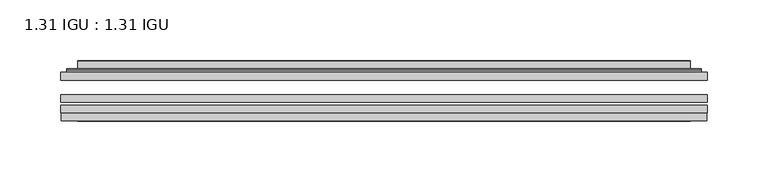
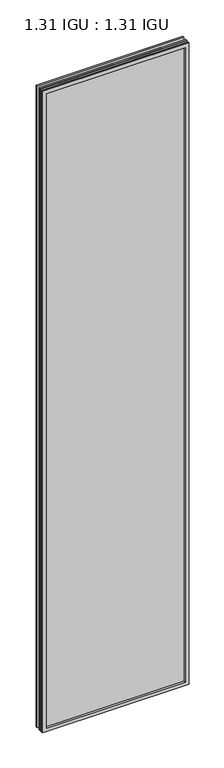
"""IFC4 building model written with IfcOpenShell, lengths in millimetres: plate geometry, 1.31 IGU : 1.31 IGU."""

import ifcopenshell
import ifcopenshell.guid

model = None  # the IFC model being written
_history = None  # IfcOwnerHistory: only IFC2X3 demands one
_inside = {}  # id of a spatial element -> (the spatial element, [elements in it])
_under = {}  # id of a project, library or spatial element -> (it, [spatial elements below it])
_declared = {}  # id of a project -> (the project, [libraries it declares])
_typed = {}  # id of a type object -> (the type object, [elements of that type])
_made_of = {}  # id of a material, layer set ... -> (it, [elements and type objects made of it])


def new_model(schema):
    """Start an empty IFC model of exactly this schema.

    Asked for "IFC4X3", IfcOpenShell would pick the latest addendum, in which some entities
    have other attributes; the version numbers below select the first issue.
    IFC2X3 requires an IfcOwnerHistory on every rooted entity: one is made here for all.
    """
    global model, _history
    if schema == "IFC4X3":
        model = ifcopenshell.file(schema_version=(4, 3, 0, 0))
    else:
        model = ifcopenshell.file(schema=schema)
    _inside.clear()
    _under.clear()
    _declared.clear()
    _typed.clear()
    _made_of.clear()
    _history = None
    if model.schema == "IFC2X3":
        org = make("IfcOrganization", Name="unknown")
        user = make(
            "IfcPersonAndOrganization",
            ThePerson=make("IfcPerson", FamilyName="unknown"),
            TheOrganization=org,
        )
        app = make(
            "IfcApplication",
            ApplicationDeveloper=org,
            Version="unknown",
            ApplicationFullName="unknown",
            ApplicationIdentifier="unknown",
        )
        _history = make(
            "IfcOwnerHistory",
            OwningUser=user,
            OwningApplication=app,
            ChangeAction="ADDED",
            CreationDate=0,
        )
    return model


def make(cls, **values):
    """One entity of the class cls with the attributes given. An attribute that is None is left unset."""
    return model.create_entity(
        cls, **{name: value for name, value in values.items() if value is not None}
    )


def rooted(cls, **values):
    """An entity with a GlobalId (a new one), such as an element, a storey or a relation."""
    return make(cls, GlobalId=ifcopenshell.guid.new(), OwnerHistory=_history, **values)


def si_unit(unit_type, name, prefix=None):
    """IfcSIUnit, for example si_unit("LENGTHUNIT", "METRE", prefix="MILLI")."""
    return make("IfcSIUnit", UnitType=unit_type, Prefix=prefix, Name=name)


def assignment(units):
    """IfcUnitAssignment: the units of a project."""
    return None if units is None else make("IfcUnitAssignment", Units=units)


def point(xyz):
    """IfcCartesianPoint."""
    return None if xyz is None else make("IfcCartesianPoint", Coordinates=xyz)


def direction(xyz):
    """IfcDirection."""
    return None if xyz is None else make("IfcDirection", DirectionRatios=xyz)


def frame(location, z_axis=None, x_axis=None):
    """IfcAxis2Placement3D, a coordinate frame: its origin and axes. An axis left out is left unset."""
    return make(
        "IfcAxis2Placement3D",
        Location=point(location),
        Axis=direction(z_axis),
        RefDirection=direction(x_axis),
    )


def origin():
    """The frame at (0, 0, 0) with its axes left unset."""
    return frame((0.0, 0.0, 0.0))


def place(relative_to, where):
    """IfcLocalPlacement: puts the frame where relative to a parent placement (None: the world)."""
    return make(
        "IfcLocalPlacement", PlacementRelTo=relative_to, RelativePlacement=where
    )


def context(
    kind, dimensions, precision=None, world=None, true_north=None, identifier=None
):
    """IfcGeometricRepresentationContext, for example the 3D "Model" context."""
    return make(
        "IfcGeometricRepresentationContext",
        ContextIdentifier=identifier,
        ContextType=kind,
        CoordinateSpaceDimension=dimensions,
        Precision=precision,
        WorldCoordinateSystem=world,
        TrueNorth=true_north,
    )


def project(units=None, contexts=None):
    """IfcProject with its units and contexts."""
    return rooted(
        "IfcProject",
        Name="project",
        RepresentationContexts=contexts,
        UnitsInContext=assignment(units),
    )


def spatial(cls, under=None, at=None, **own):
    """A site, building, storey or space (cls), placed at a placement, below another one or the project."""
    s = rooted(cls, ObjectPlacement=at, **own)
    if under is not None:
        _under.setdefault(under.id(), (under, []))[1].append(s)
    return s


def polyline(points):
    """IfcPolyline through the points."""
    return make("IfcPolyline", Points=[point(p) for p in points])


def ellipse_curve(where, semi_axis1, semi_axis2):
    """IfcEllipse in the frame where."""
    return make(
        "IfcEllipse", Position=where, SemiAxis1=semi_axis1, SemiAxis2=semi_axis2
    )


def outline(outer, holes=None, kind="AREA"):
    """IfcArbitraryClosedProfileDef: a profile drawn as a closed curve; with holes, ...WithVoids."""
    if holes is None:
        return make("IfcArbitraryClosedProfileDef", ProfileType=kind, OuterCurve=outer)
    return make(
        "IfcArbitraryProfileDefWithVoids",
        ProfileType=kind,
        OuterCurve=outer,
        InnerCurves=holes,
    )


def extrude(swept, where, along, depth):
    """IfcExtrudedAreaSolid: the profile swept, set in the frame where, extruded along a direction by depth."""
    return make(
        "IfcExtrudedAreaSolid",
        SweptArea=swept,
        Position=where,
        ExtrudedDirection=direction(along),
        Depth=depth,
    )


def faces_of(points, faces, orient=None, outer=None):
    """IfcFace entities. A face is a list of loops; a loop is a list of indices into points, from 0.

    orient and outer hold one flag for each loop. By default every Orientation is true, the
    first loop of a face is its IfcFaceOuterBound and the others are IfcFaceBound.
    """
    made = []
    for i, loops in enumerate(faces):
        bounds = []
        for j, loop in enumerate(loops):
            is_outer = j == 0 if outer is None else outer[i][j]
            bounds.append(
                make(
                    "IfcFaceOuterBound" if is_outer else "IfcFaceBound",
                    Bound=make("IfcPolyLoop", Polygon=[points[k] for k in loop]),
                    Orientation=True if orient is None else orient[i][j],
                )
            )
        made.append(make("IfcFace", Bounds=bounds))
    return made


def faceted_brep(points, faces, orient=None, outer=None, voids=None):
    """IfcFacetedBrep: a solid bounded by flat faces; with voids (closed shells), ...WithVoids."""
    shared = [point(p) for p in points]
    hull = make("IfcClosedShell", CfsFaces=faces_of(shared, faces, orient, outer))
    if voids is None:
        return make("IfcFacetedBrep", Outer=hull)
    return make(
        "IfcFacetedBrepWithVoids",
        Outer=hull,
        Voids=[
            make(cls, CfsFaces=faces_of(shared, fs, o, b)) for cls, fs, o, b in voids
        ],
    )


def shape(context_of_items, identifier, shape_type, items):
    """IfcShapeRepresentation: the items that make up one representation, for example the "Body"."""
    return make(
        "IfcShapeRepresentation",
        ContextOfItems=context_of_items,
        RepresentationIdentifier=identifier,
        RepresentationType=shape_type,
        Items=items,
    )


def source(mapping_origin, context_of_items, identifier, shape_type, items):
    """IfcRepresentationMap: a shape defined once, which mapped items show again and again."""
    return make(
        "IfcRepresentationMap",
        MappingOrigin=mapping_origin,
        MappedRepresentation=shape(context_of_items, identifier, shape_type, items),
    )


def transform(
    local_origin,
    x_axis=None,
    y_axis=None,
    z_axis=None,
    scale=None,
    scale2=None,
    scale3=None,
    uniform=True,
):
    """IfcCartesianTransformationOperator3D, or its non-uniform kind. x_axis, y_axis, z_axis: its Axis1, 2, 3."""
    if uniform:
        return make(
            "IfcCartesianTransformationOperator3D",
            Axis1=direction(x_axis),
            Axis2=direction(y_axis),
            LocalOrigin=point(local_origin),
            Scale=scale,
            Axis3=direction(z_axis),
        )
    return make(
        "IfcCartesianTransformationOperator3DnonUniform",
        Axis1=direction(x_axis),
        Axis2=direction(y_axis),
        LocalOrigin=point(local_origin),
        Scale=scale,
        Axis3=direction(z_axis),
        Scale2=scale2,
        Scale3=scale3,
    )


def mapped(mapping_source, mapping_target):
    """IfcMappedItem: shows the shape of a source again, moved by a transform."""
    return make(
        "IfcMappedItem", MappingSource=mapping_source, MappingTarget=mapping_target
    )


def made_of(thing, what):
    """Note that an element or type object is made of a material, layer set ...; save() writes the relation."""
    if what is not None:
        _made_of.setdefault(what.id(), (what, []))[1].append(thing)
    return thing


def element(
    cls,
    number,
    at=None,
    inside=None,
    cuts=None,
    type_object=None,
    material=None,
    context=None,
    identifier="Body",
    shape_type=None,
    held_by="IfcProductDefinitionShape",
    body=None,
    shapes=None,
    **own,
):
    """One element of the class cls, such as IfcWall. Its Tag is "e" and its number.

    at: its placement. inside: the storey or other place that contains it. cuts: it is an
    opening in that element (IfcRelVoidsElement). A single representation is given by context,
    identifier, shape_type and body (its items); several are given by shapes. held_by: the class
    of the entity that holds the representations. save() writes the other relations.
    """
    e = rooted(cls, Tag="e%d" % number, ObjectPlacement=at, **own)
    if body is not None:
        shapes = [shape(context, identifier, shape_type, body)]
    if shapes is not None:
        e.Representation = make(held_by, Representations=shapes)
    if inside is not None:
        _inside.setdefault(inside.id(), (inside, []))[1].append(e)
    if cuts is not None:
        rooted(
            "IfcRelVoidsElement", RelatingBuildingElement=cuts, RelatedOpeningElement=e
        )
    if type_object is not None:
        _typed.setdefault(type_object.id(), (type_object, []))[1].append(e)
    return made_of(e, material)


def aggregate(whole, parts):
    """IfcRelAggregates: a whole, such as a stair, and the parts it consists of."""
    return rooted("IfcRelAggregates", RelatingObject=whole, RelatedObjects=parts)


def save(model, path):
    """Write the relations noted so far, then the file.

    IfcRelAggregates (storeys below a building ...), IfcRelContainedInSpatialStructure (elements
    in a storey), IfcRelDefinesByType, IfcRelAssociatesMaterial and IfcRelDeclares: one each for
    every whole, place, type object, material and project.
    """
    for whole, parts in _under.values():
        aggregate(whole, parts)
    for where, things in _inside.values():
        rooted(
            "IfcRelContainedInSpatialStructure",
            RelatedElements=things,
            RelatingStructure=where,
        )
    for kind, things in _typed.values():
        rooted("IfcRelDefinesByType", RelatedObjects=things, RelatingType=kind)
    for what, things in _made_of.values():
        rooted("IfcRelAssociatesMaterial", RelatedObjects=things, RelatingMaterial=what)
    for by, libraries in _declared.values():
        rooted("IfcRelDeclares", RelatingContext=by, RelatedDefinitions=libraries)
    model.write(path)


def plane_surface(at):
    """IfcPlane: the flat surface through the origin of the frame at, square to its z axis."""
    return make("IfcPlane", Position=at)


def cylinder_surface(at, radius):
    """IfcCylindricalSurface: all points at the distance radius from the z axis of the frame at."""
    return make("IfcCylindricalSurface", Position=at, Radius=radius)


def advanced_brep(points, edges, surfaces, faces):
    """IfcAdvancedBrep: a solid bounded by faces that lie on surfaces and meet in shared edges.

    An edge is (start, end): straight between two places in points (the first is 0);
    or (start, end, curve); or (start, end, curve, False) where it runs against its curve.
    A face is (place in surfaces, loops), or (place, loops, False) where it looks against
    its surface's normal. A loop lists edges by number (the first is 1), with a minus sign
    where the edge is run from its end to its start. The first loop is the outer one.
    """
    corners = [point(p) for p in points]
    vertices = [make("IfcVertexPoint", VertexGeometry=c) for c in corners]
    made = []
    for start, end, *more in edges:
        made.append(
            make(
                "IfcEdgeCurve",
                EdgeStart=vertices[start],
                EdgeEnd=vertices[end],
                EdgeGeometry=more[0] if more else make("IfcPolyline", Points=[corners[start], corners[end]]),
                SameSense=more[1] if len(more) > 1 else True,
            )
        )
    hull = []
    for where, loops, *sense in faces:
        bounds = []
        for j, loop in enumerate(loops):
            ring = [make("IfcOrientedEdge", EdgeElement=made[abs(k) - 1], Orientation=k > 0) for k in loop]
            bounds.append(
                make(
                    "IfcFaceOuterBound" if j == 0 else "IfcFaceBound",
                    Bound=make("IfcEdgeLoop", EdgeList=ring),
                    Orientation=True,
                )
            )
        hull.append(make("IfcAdvancedFace", Bounds=bounds, FaceSurface=surfaces[where], SameSense=sense[0] if sense else True))
    return make("IfcAdvancedBrep", Outer=make("IfcClosedShell", CfsFaces=hull))


def plate_1_31_igu_1_31_igu_e7d404f6(model_context):
    return source(origin(), model_context, "Body", "SolidModel", [
        extrude(outline(polyline([(266.7140393, -63.59525), (266.7140393, -69.94525), (-266.6998644, -69.94525), (-266.6998644, -63.59525), (266.7140393, -63.59525)])), frame((0.0, 0.0, -14.2875), z_axis=(0.0, 0.0, 1.0), x_axis=(1.0, 0.0, 0.0)), (0.0, 0.0, 1.0), 2467.0015278),
        extrude(outline(polyline([(-266.6998644, -78.58125), (-266.6998644, -72.230745), (266.7140393, -72.230745), (266.7140393, -78.58125), (-266.6998644, -78.58125)])), frame((0.0, 0.0, -14.2875), z_axis=(0.0, 0.0, 1.0), x_axis=(1.0, 0.0, 0.0)), (0.0, 0.0, 1.0), 2467.0015278),
        extrude(outline(polyline([(266.7140393, -45.25645), (266.7140393, -51.60645), (-266.6998644, -51.60645), (-266.6998644, -45.25645), (266.7140393, -45.25645)])), frame((0.0, 0.0, -14.2875), z_axis=(0.0, 0.0, 1.0), x_axis=(1.0, 0.0, 0.0)), (0.0, 0.0, 1.0), 2467.0015278),
        faceted_brep([(-265.9996786, -84.93125, 2452.0100441), (-265.9996786, -78.58125, 2452.0100441), (-265.9996786, -78.58125, -13.5873142), (-265.9996786, -84.93125, -13.5873142), (265.9996786, -78.58125, -13.5873142), (265.9996786, -84.93125, -13.5873142), (265.9996786, -78.58125, 2452.0100441), (265.9996786, -84.93125, 2452.0100441), (-251.5146202, -78.58125, 0.8977441), (251.5146202, -78.58125, 0.8977441), (251.5146202, -78.58125, 2437.5249858), (-251.5146202, -78.58125, 2437.5249858), (-252.4070545, -84.93125, 2438.4174201), (252.4070545, -84.93125, 2438.4174201), (252.4070545, -84.93125, 0.0053098), (-252.4070545, -84.93125, 0.0053098)], [[[0, 1, 2, 3]], [[3, 2, 4, 5]], [[5, 4, 6, 7]], [[1, 6, 4, 2], [8, 9, 10, 11]], [[7, 6, 1, 0]], [[3, 5, 7, 0], [12, 13, 14, 15]], [[11, 12, 15, 8]], [[8, 15, 14, 9]], [[9, 14, 13, 10]], [[10, 13, 12, 11]]]),
        advanced_brep(
        [(-259.4585834, -45.25645, 2445.4689489), (-261.8127888, -43.2667833, 2447.8231543), (-261.8127888, -43.2667833, -9.4004244), (-259.4585834, -45.25645, -7.046219), (-250.3842583, -41.416413, 2436.3946238), (-245.4494264, -45.25645, 2431.4597919), (-245.4494264, -45.25645, 6.9629379), (-250.3842583, -41.416413, 2.0281061), (-251.416286, -36.0191819, 2437.4266515), (-251.416286, -36.0191819, 0.9960783), (-252.4069428, -35.6202069, 2438.4173083), (-252.4069428, -35.6202069, 0.0054216), (-252.4069428, -42.08145, 2438.4173083), (-252.4069428, -42.08145, 0.0054216), (-260.8109992, -42.08145, 2446.8213648), (-260.8109992, -42.08145, -8.3986349), (261.8127888, -43.2667833, -9.4004244), (259.4585834, -45.25645, -7.046219), (245.4494264, -45.25645, 6.9629379), (250.3842583, -41.416413, 2.0281061), (251.416286, -36.0191819, 0.9960783), (252.4069428, -35.6202069, 0.0054216), (252.4069428, -42.08145, 0.0054216), (260.8109992, -42.08145, -8.3986349), (261.8127888, -43.2667833, 2447.8231543), (259.4585834, -45.25645, 2445.4689489), (245.4494264, -45.25645, 2431.4597919), (250.3842583, -41.416413, 2436.3946238), (251.416286, -36.0191819, 2437.4266515), (252.4069428, -35.6202069, 2438.4173083), (252.4069428, -42.08145, 2438.4173083), (260.8109992, -42.08145, 2446.8213648)],
        [
            (0, 1, ellipse_curve(frame((-259.4585834, -42.86885, 2445.4689489), z_axis=(-0.7071067811865475, 0.0, -0.7071067811865475), x_axis=(-0.7071067811865474, 0.0, 0.7071067811865476)), 3.3765763, 2.3876)),
            (1, 2),
            (2, 3, ellipse_curve(frame((-259.4585834, -42.86885, -7.046219), z_axis=(-0.7071067811865475, 0.0, 0.7071067811865475), x_axis=(0.7071067811865474, 0.0, 0.7071067811865476)), 3.3765763, 2.3876)),
            (3, 0),
            (4, 5),
            (5, 6),
            (6, 7),
            (7, 4),
            (8, 4),
            (7, 9),
            (9, 8),
            (10, 8, ellipse_curve(frame((-252.0399862, -36.1384423, 2438.0503517), z_axis=(-0.7071067811865475, 0.0, -0.7071067811865475), x_axis=(-0.7071067811865474, 0.0, 0.7071067811865476)), 0.8980256, 0.635)),
            (9, 11, ellipse_curve(frame((-252.0399862, -36.1384423, 0.3723781), z_axis=(-0.7071067811865475, 0.0, 0.7071067811865475), x_axis=(0.7071067811865474, 0.0, 0.7071067811865476)), 0.8980256, 0.635)),
            (11, 10),
            (12, 10),
            (11, 13),
            (13, 12),
            (1, 14, ellipse_curve(frame((-260.8109992, -43.09745, 2446.8213648), z_axis=(-0.7071067811865475, 0.0, -0.7071067811865475), x_axis=(-0.7071067811865474, 0.0, 0.7071067811865476)), 1.436841, 1.016)),
            (14, 15),
            (15, 2, ellipse_curve(frame((-260.8109992, -43.09745, -8.3986349), z_axis=(-0.7071067811865475, 0.0, 0.7071067811865475), x_axis=(0.7071067811865474, 0.0, 0.7071067811865476)), 1.436841, 1.016)),
            (2, 16),
            (16, 17, ellipse_curve(frame((259.4585834, -42.86885, -7.046219), z_axis=(-0.7071067811865475, 0.0, -0.7071067811865475), x_axis=(-0.7071067811865476, 0.0, 0.7071067811865474)), 3.3765763, 2.3876)),
            (17, 3),
            (6, 18),
            (18, 19),
            (19, 7),
            (19, 20),
            (20, 9),
            (20, 21, ellipse_curve(frame((252.0399862, -36.1384423, 0.3723781), z_axis=(-0.7071067811865475, 0.0, -0.7071067811865475), x_axis=(-0.7071067811865476, 0.0, 0.7071067811865474)), 0.8980256, 0.635)),
            (21, 11),
            (21, 22),
            (22, 13),
            (15, 23),
            (23, 16, ellipse_curve(frame((260.8109992, -43.09745, -8.3986349), z_axis=(-0.7071067811865475, 0.0, -0.7071067811865475), x_axis=(-0.7071067811865476, 0.0, 0.7071067811865474)), 1.436841, 1.016)),
            (16, 24),
            (24, 25, ellipse_curve(frame((259.4585834, -42.86885, 2445.4689489), z_axis=(0.7071067811865475, 0.0, -0.7071067811865475), x_axis=(-0.7071067811865474, 0.0, -0.7071067811865476)), 3.3765763, 2.3876)),
            (25, 17),
            (18, 26),
            (26, 27),
            (27, 19),
            (27, 28),
            (28, 20),
            (28, 29, ellipse_curve(frame((252.0399862, -36.1384423, 2438.0503517), z_axis=(0.7071067811865475, 0.0, -0.7071067811865475), x_axis=(-0.7071067811865474, 0.0, -0.7071067811865476)), 0.8980256, 0.635)),
            (29, 21),
            (29, 30),
            (30, 22),
            (23, 31),
            (31, 24, ellipse_curve(frame((260.8109992, -43.09745, 2446.8213648), z_axis=(0.7071067811865475, 0.0, -0.7071067811865475), x_axis=(-0.7071067811865474, 0.0, -0.7071067811865476)), 1.436841, 1.016)),
            (24, 1),
            (0, 25),
            (5, 26),
            (4, 27),
            (8, 28),
            (10, 29),
            (12, 30),
            (14, 31),
        ],
        [
            cylinder_surface(frame((-259.4585834, -42.86885, 2470.1727299), z_axis=(0.0, 0.0, 1.0), x_axis=(-1.0, 0.0, 0.0)), 2.3876),
            plane_surface(frame((-245.4494264, -45.25645, 2431.4597919), z_axis=(0.6141233906514794, 0.7892100234124821, 0.0), x_axis=(0.0, 0.0, -1.0))),
            plane_surface(frame((-250.3842583, -41.416413, 2436.3946238), z_axis=(0.9822050625507729, 0.18781164793386076, 0.0), x_axis=(0.0, 0.0, -1.0))),
            cylinder_surface(frame((-252.0399862, -36.1384423, 2470.1727299), z_axis=(0.0, 0.0, 1.0), x_axis=(-1.0, 0.0, 0.0)), 0.635),
            plane_surface(frame((-252.4069428, -35.6202069, 2438.4173083), z_axis=(-1.0, 0.0, 0.0), x_axis=(0.0, 0.0, -1.0))),
            cylinder_surface(frame((-260.8109992, -43.09745, 2470.1727299), z_axis=(0.0, 0.0, 1.0), x_axis=(-1.0, 0.0, 0.0)), 1.016),
            cylinder_surface(frame((-284.1623644, -42.86885, -7.046219), z_axis=(-1.0, 0.0, 0.0), x_axis=(0.0, 0.0, -1.0)), 2.3876),
            plane_surface(frame((-245.4494264, -45.25645, 6.9629379), z_axis=(0.0, 0.7892100234124841, 0.6141233906514768), x_axis=(1.0, 0.0, 0.0))),
            plane_surface(frame((-250.3842583, -41.416413, 2.0281061), z_axis=(0.0, 0.18781164793386393, 0.9822050625507723), x_axis=(1.0, 0.0, 0.0))),
            cylinder_surface(frame((-284.1623644, -36.1384423, 0.3723781), z_axis=(-1.0, 0.0, 0.0), x_axis=(0.0, 0.0, -1.0)), 0.635),
            plane_surface(frame((-252.4069428, -35.6202069, 0.0054216), z_axis=(0.0, 0.0, -1.0), x_axis=(1.0, 0.0, 0.0))),
            cylinder_surface(frame((-284.1623644, -43.09745, -8.3986349), z_axis=(-1.0, 0.0, 0.0), x_axis=(0.0, 0.0, -1.0)), 1.016),
            cylinder_surface(frame((259.4585834, -42.86885, -31.75), z_axis=(0.0, 0.0, -1.0), x_axis=(1.0, 0.0, 0.0)), 2.3876),
            plane_surface(frame((245.4494264, -45.25645, 6.9629379), z_axis=(-0.6141233906514743, 0.7892100234124861, 0.0), x_axis=(0.0, 0.0, 1.0))),
            plane_surface(frame((250.3842583, -41.416413, 2.0281061), z_axis=(-0.9822050625507718, 0.1878116479338671, 0.0), x_axis=(0.0, 0.0, 1.0))),
            cylinder_surface(frame((252.0399862, -36.1384423, -31.75), z_axis=(0.0, 0.0, -1.0), x_axis=(1.0, 0.0, 0.0)), 0.635),
            plane_surface(frame((252.4069428, -35.6202069, 0.0054216), z_axis=(1.0, 0.0, 0.0), x_axis=(0.0, 0.0, 1.0))),
            cylinder_surface(frame((260.8109992, -43.09745, -31.75), z_axis=(0.0, 0.0, -1.0), x_axis=(1.0, 0.0, 0.0)), 1.016),
            cylinder_surface(frame((284.1623644, -42.86885, 2445.4689489), z_axis=(1.0, 0.0, 0.0), x_axis=(0.0, 0.0, 1.0)), 2.3876),
            plane_surface(frame((259.4585834, -45.25645, 2445.4689489), z_axis=(0.0, -1.0, 0.0), x_axis=(-1.0, 0.0, 0.0))),
            plane_surface(frame((245.4494264, -45.25645, 2431.4597919), z_axis=(0.0, 0.7892100234124841, -0.6141233906514768), x_axis=(-1.0, 0.0, 0.0))),
            plane_surface(frame((250.3842583, -41.416413, 2436.3946238), z_axis=(0.0, 0.18781164793386393, -0.9822050625507723), x_axis=(-1.0, 0.0, 0.0))),
            cylinder_surface(frame((284.1623644, -36.1384423, 2438.0503517), z_axis=(1.0, 0.0, 0.0), x_axis=(0.0, 0.0, 1.0)), 0.635),
            plane_surface(frame((252.4069428, -35.6202069, 2438.4173083), z_axis=(0.0, 0.0, 1.0), x_axis=(-1.0, 0.0, 0.0))),
            plane_surface(frame((252.4069428, -42.08145, 2438.4173083), z_axis=(0.0, 1.0, 0.0), x_axis=(-1.0, 0.0, 0.0))),
            cylinder_surface(frame((284.1623644, -43.09745, 2446.8213648), z_axis=(1.0, 0.0, 0.0), x_axis=(0.0, 0.0, 1.0)), 1.016),
        ],
        [
            (0, [[1, 2, 3, 4]]),
            (1, [[5, 6, 7, 8]]),
            (2, [[9, -8, 10, 11]]),
            (3, [[12, -11, 13, 14]]),
            (4, [[15, -14, 16, 17]]),
            (5, [[18, 19, 20, -2]]),
            (6, [[-3, 21, 22, 23]]),
            (7, [[-7, 24, 25, 26]]),
            (8, [[-10, -26, 27, 28]]),
            (9, [[-13, -28, 29, 30]]),
            (10, [[-16, -30, 31, 32]]),
            (11, [[-20, 33, 34, -21]]),
            (12, [[-22, 35, 36, 37]]),
            (13, [[-25, 38, 39, 40]]),
            (14, [[-27, -40, 41, 42]]),
            (15, [[-29, -42, 43, 44]]),
            (16, [[-31, -44, 45, 46]]),
            (17, [[-34, 47, 48, -35]]),
            (18, [[-36, 49, -1, 50]]),
            (19, [[-23, -37, -50, -4], [51, -38, -24, -6]]),
            (20, [[-39, -51, -5, 52]]),
            (21, [[-41, -52, -9, 53]]),
            (22, [[-43, -53, -12, 54]]),
            (23, [[-45, -54, -15, 55]]),
            (24, [[56, -47, -33, -19], [-32, -46, -55, -17]]),
            (25, [[-48, -56, -18, -49]]),
        ],
    ),
    ])


if __name__ == "__main__":
    model = new_model("IFC4")
    model_context = context("Model", 3, world=origin())
    ifc_project = project(units=[si_unit("LENGTHUNIT", "METRE", prefix="MILLI")], contexts=[model_context])
    site = spatial("IfcSite", under=ifc_project)
    building = spatial("IfcBuilding", under=site)
    placement = place(None, origin())
    plate_1_31_igu_1_31_igu_shape = plate_1_31_igu_1_31_igu_e7d404f6(model_context)
    element("IfcPlate", 1, ObjectType="1.31 IGU : 1.31 IGU", at=placement, inside=building, context=model_context, shape_type="MappedRepresentation", body=[
        mapped(plate_1_31_igu_1_31_igu_shape, transform((0.0, 0.0, 0.0), x_axis=(1.0, 0.0, 0.0), y_axis=(0.0, 1.0, 0.0), z_axis=(0.0, 0.0, 1.0))),
    ])
    save(model, "model.ifc")
